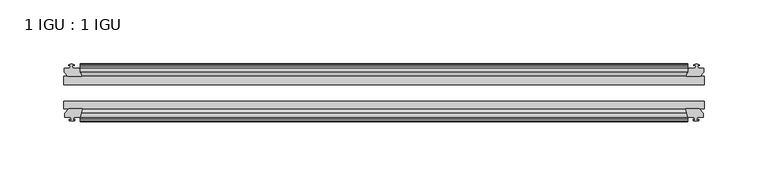
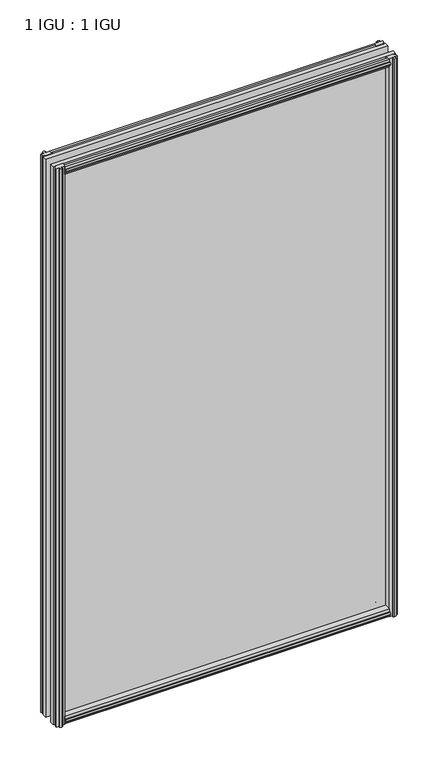
"""IFC4 building model written with IfcOpenShell, lengths in millimetres: plate geometry, 1 IGU : 1 IGU."""

from ifc_helpers import new_model, si_unit, frame, origin, place, context, project, spatial, polyline, outline, extrude, source, transform, mapped, element, save


def plate_1_igu_1_igu_7d75d819(model_context):
    return source(origin(), model_context, "Body", "SweptSolid", [
        extrude(outline(polyline([(-25.8960937, 1.1970181), (-19.5460937, -0.5207), (-19.5460937, -5.7277), (-17.1658968, -6.1087), (-17.62583, -4.6931709), (-16.8246158, -4.6931709), (-16.1170937, -6.8707), (-16.8246158, -9.0482291), (-17.62583, -9.0482291), (-17.1658968, -7.6327), (-19.5460937, -8.0137), (-19.5460937, -12.4587), (-22.4924937, -12.4587), (-25.8960937, -9.6243578), (-25.8960937, 1.1970181)])), frame((-237.6393016, 0.0, 0.0), z_axis=(1.0, 0.0, 0.0), x_axis=(0.0, 1.0, 0.0)), (0.0, 0.0, 1.0), 475.2786032),
        extrude(outline(polyline([(-51.2960937, 1.7177181), (-51.2960937, -9.1036578), (-54.6996937, -11.938), (-57.6460937, -11.938), (-57.6460937, -7.493), (-60.0262907, -7.112), (-59.5663575, -8.5275291), (-60.3675717, -8.5275291), (-61.0750937, -6.35), (-60.3675717, -4.1724709), (-59.5663575, -4.1724709), (-60.0262907, -5.588), (-57.6460937, -5.207), (-57.6460937, 0.0), (-51.2960937, 1.7177181)])), frame((-237.6393016, 0.0, 0.0), z_axis=(1.0, 0.0, 0.0), x_axis=(0.0, 1.0, 0.0)), (0.0, 0.0, 1.0), 475.2786032),
        extrude(outline(polyline([(-57.6460937, 850.138), (-54.6996937, 850.138), (-51.2960937, 847.3036578), (-51.2960937, 836.4822819), (-57.6460937, 838.2), (-57.6460937, 843.407), (-60.0262907, 843.788), (-59.5663575, 842.3724709), (-60.3675717, 842.3724709), (-61.0750937, 844.55), (-60.3675717, 846.727529), (-59.5663575, 846.727529), (-60.0262907, 845.312), (-57.6460937, 845.693), (-57.6460937, 850.138)])), frame((-237.6393016, 0.0, 0.0), z_axis=(1.0, 0.0, 0.0), x_axis=(0.0, 1.0, 0.0)), (0.0, 0.0, 1.0), 475.2786032),
        extrude(outline(polyline([(-19.5460937, 850.6587), (-19.5460937, 846.2137), (-17.1658968, 845.8327), (-17.62583, 847.248229), (-16.8246158, 847.248229), (-16.1170937, 845.0707), (-16.8246158, 842.8931709), (-17.62583, 842.8931709), (-17.1658968, 844.3087), (-19.5460937, 843.9277), (-19.5460937, 838.7207), (-25.8960937, 837.0029819), (-25.8960937, 847.8243578), (-22.4924937, 850.6587), (-19.5460937, 850.6587)])), frame((-237.6393016, 0.0, 0.0), z_axis=(1.0, 0.0, 0.0), x_axis=(0.0, 1.0, 0.0)), (0.0, 0.0, 1.0), 475.2786032),
        extrude(outline(polyline([(-244.5100016, -16.1170937), (-242.3324725, -16.8246158), (-242.3324725, -17.62583), (-243.7480016, -17.1658968), (-243.3670016, -19.5460937), (-238.1600016, -19.5460937), (-236.4422835, -25.8960937), (-247.2636594, -25.8960937), (-250.0980016, -22.4924937), (-250.0980016, -19.5460937), (-245.6530016, -19.5460937), (-245.2720016, -17.1658968), (-246.6875306, -17.62583), (-246.6875306, -16.8246158), (-244.5100016, -16.1170937)])), frame((0.0, 0.0, -12.7), z_axis=(0.0, 0.0, 1.0), x_axis=(1.0, 0.0, 0.0)), (0.0, 0.0, 1.0), 863.6),
        extrude(outline(polyline([(-243.9893016, -61.0750938), (-246.1668306, -60.3675717), (-246.1668306, -59.5663575), (-244.7513016, -60.0262907), (-245.1323016, -57.6460938), (-249.5773016, -57.6460938), (-249.5773016, -54.6996938), (-246.7429594, -51.2960937), (-235.9215835, -51.2960937), (-237.6393016, -57.6460938), (-242.8463016, -57.6460938), (-243.2273016, -60.0262907), (-241.8117725, -59.5663575), (-241.8117725, -60.3675717), (-243.9893016, -61.0750938)])), frame((0.0, 0.0, -12.7), z_axis=(0.0, 0.0, 1.0), x_axis=(1.0, 0.0, 0.0)), (0.0, 0.0, 1.0), 863.6),
        extrude(outline(polyline([(243.3670016, -19.5460937), (243.7480016, -17.1658968), (242.3324725, -17.62583), (242.3324725, -16.8246158), (244.5100016, -16.1170937), (246.6875306, -16.8246158), (246.6875306, -17.62583), (245.2720016, -17.1658968), (245.6530016, -19.5460937), (250.0980016, -19.5460937), (250.0980016, -22.4924937), (247.2636594, -25.8960937), (236.4422835, -25.8960937), (238.1600016, -19.5460937), (243.3670016, -19.5460937)])), frame((0.0, 0.0, -12.7), z_axis=(0.0, 0.0, 1.0), x_axis=(1.0, 0.0, 0.0)), (0.0, 0.0, 1.0), 863.6),
        extrude(outline(polyline([(246.7429594, -51.2960937), (249.5773016, -54.6996937), (249.5773016, -57.6460937), (245.1323016, -57.6460937), (244.7513016, -60.0262907), (246.1668306, -59.5663575), (246.1668306, -60.3675717), (243.9893016, -61.0750937), (241.8117725, -60.3675717), (241.8117725, -59.5663575), (243.2273016, -60.0262907), (242.8463016, -57.6460937), (237.6393016, -57.6460937), (235.9215835, -51.2960937), (246.7429594, -51.2960937)])), frame((0.0, 0.0, -12.7), z_axis=(0.0, 0.0, 1.0), x_axis=(1.0, 0.0, 0.0)), (0.0, 0.0, 1.0), 863.6),
        extrude(outline(polyline([(-250.3393016, -25.8960937), (250.3393016, -25.8960937), (250.3393016, -32.2460937), (-250.3393016, -32.2460937), (-250.3393016, -25.8960937)])), frame((0.0, 0.0, -12.7), z_axis=(0.0, 0.0, 1.0), x_axis=(1.0, 0.0, 0.0)), (0.0, 0.0, 1.0), 863.6),
        extrude(outline(polyline([(250.3393016, -45.2686737), (250.3393016, -51.2960937), (-250.3393016, -51.2960937), (-250.3393016, -45.2686737), (250.3393016, -45.2686737)])), frame((0.0, 0.0, -12.7), z_axis=(0.0, 0.0, 1.0), x_axis=(1.0, 0.0, 0.0)), (0.0, 0.0, 1.0), 863.6),
    ])


if __name__ == "__main__":
    model = new_model("IFC4")
    model_context = context("Model", 3, world=origin())
    ifc_project = project(units=[si_unit("LENGTHUNIT", "METRE", prefix="MILLI")], contexts=[model_context])
    site = spatial("IfcSite", under=ifc_project)
    building = spatial("IfcBuilding", under=site)
    placement = place(None, origin())
    plate_1_igu_1_igu_shape = plate_1_igu_1_igu_7d75d819(model_context)
    element("IfcPlate", 1, ObjectType="1 IGU : 1 IGU", at=placement, inside=building, context=model_context, shape_type="MappedRepresentation", body=[
        mapped(plate_1_igu_1_igu_shape, transform((0.0, 0.0, 0.0), x_axis=(1.0, 0.0, 0.0), y_axis=(0.0, 1.0, 0.0), z_axis=(0.0, 0.0, 1.0))),
    ])
    save(model, "model.ifc")
